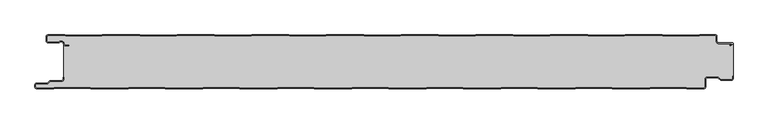
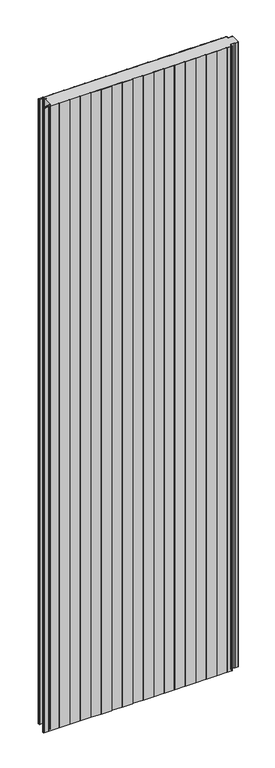
"""IFC4 building model written with IfcOpenShell, lengths in millimetres: plate geometry."""

from ifc_helpers import new_model, si_unit, point, frame_2d, origin, origin_with_axes, place, context, project, spatial, polyline, circle_curve, trimmed, segment, composite_curve, outline, extrude, source, transform, mapped, element, save


def plate_1b93cace(model_context):
    return source(origin(), model_context, "Body", "SweptSolid", [
        extrude(outline(composite_curve([segment(polyline([(-517.0, -77.5), (-517.0, -74.5)]), True, "CONTINUOUS"), segment(trimmed(circle_curve(frame_2d((-514.5, -74.5)), 2.5), [point((-517.0, -74.5))], [point((-514.5, -72.0))], False, "CARTESIAN"), True, "CONTINUOUS"), segment(polyline([(-514.5, -72.0), (-498.5, -72.0), (-494.75, -68.25), (-477.0, -68.25)]), True, "CONTINUOUS"), segment(trimmed(circle_curve(frame_2d((-477.0, -66.25)), 2.0), [point((-477.0, -68.25))], [point((-475.0, -66.25))], True, "CARTESIAN"), True, "CONTINUOUS"), segment(polyline([(-475.0, -66.25), (-475.0, -63.25), (-474.2, -63.25), (-474.2, -66.25)]), True, "CONTINUOUS"), segment(trimmed(circle_curve(frame_2d((-477.0, -66.25)), 2.8), [point((-474.2, -66.25))], [point((-477.0, -69.05))], False, "CARTESIAN"), True, "CONTINUOUS"), segment(polyline([(-477.0, -69.05), (-494.4186292, -69.05), (-498.1686292, -72.8), (-514.5, -72.8)]), True, "CONTINUOUS"), segment(trimmed(circle_curve(frame_2d((-514.5, -74.5)), 1.7), [point((-514.5, -72.8))], [point((-516.2, -74.5))], True, "CARTESIAN"), True, "CONTINUOUS"), segment(polyline([(-516.2, -74.5), (-516.2, -77.5)]), True, "CONTINUOUS"), segment(trimmed(circle_curve(frame_2d((-514.5, -77.5)), 1.7), [point((-516.2, -77.5))], [point((-514.5, -79.2))], True, "CARTESIAN"), True, "CONTINUOUS"), segment(polyline([(-514.5, -79.2), (-489.4444842, -79.2), (-488.4469842, -78.6), (-434.4430158, -78.6), (-433.4455158, -79.2), (-378.3344842, -79.2), (-377.3369842, -78.6), (-323.3330158, -78.6), (-322.3355158, -79.2), (-267.2244842, -79.2), (-266.2269842, -78.6), (-212.2230158, -78.6), (-211.2255158, -79.2), (-156.1144842, -79.2), (-155.1169842, -78.6), (-101.1130158, -78.6), (-100.1155158, -79.2), (-45.0044842, -79.2), (-44.0069842, -78.6), (9.9969842, -78.6), (10.9944842, -79.2), (66.1055158, -79.2), (67.1030158, -78.6), (121.1069842, -78.6), (122.1044842, -79.2), (177.2155158, -79.2), (178.2130158, -78.6), (232.2169842, -78.6), (233.2144842, -79.2), (288.3255158, -79.2), (289.3230158, -78.6), (343.3269842, -78.6), (344.3244842, -79.2), (399.4355158, -79.2), (400.4330158, -78.6), (454.4369842, -78.6), (455.4344842, -79.2), (480.5, -79.2)]), True, "CONTINUOUS"), segment(trimmed(circle_curve(frame_2d((480.5, -77.5)), 1.7), [point((480.5, -79.2))], [point((482.2, -77.5))], True, "CARTESIAN"), True, "CONTINUOUS"), segment(polyline([(482.2, -77.5), (482.2, -66.0)]), True, "CONTINUOUS"), segment(trimmed(circle_curve(frame_2d((485.0, -66.0)), 2.8), [point((482.2, -66.0))], [point((485.0, -63.2))], False, "CARTESIAN"), True, "CONTINUOUS"), segment(polyline([(485.0, -63.2), (501.7886271, -63.2), (505.8492873, -66.95), (521.5, -66.95)]), True, "CONTINUOUS"), segment(trimmed(circle_curve(frame_2d((521.5, -65.25)), 1.7), [point((521.5, -66.95))], [point((523.2, -65.25))], True, "CARTESIAN"), True, "CONTINUOUS"), segment(polyline([(523.2, -65.25), (523.2, -61.75), (524.0, -61.75), (524.0, -65.25)]), True, "CONTINUOUS"), segment(trimmed(circle_curve(frame_2d((521.5, -65.25)), 2.5), [point((524.0, -65.25))], [point((521.5, -67.75))], False, "CARTESIAN"), True, "CONTINUOUS"), segment(polyline([(521.5, -67.75), (505.5363961, -67.75), (501.4757359, -64.0), (485.0, -64.0)]), True, "CONTINUOUS"), segment(trimmed(circle_curve(frame_2d((485.0, -66.0)), 2.0), [point((485.0, -64.0))], [point((483.0, -66.0))], True, "CARTESIAN"), True, "CONTINUOUS"), segment(polyline([(483.0, -66.0), (483.0, -77.5)]), True, "CONTINUOUS"), segment(trimmed(circle_curve(frame_2d((480.5, -77.5)), 2.5), [point((483.0, -77.5))], [point((480.5, -80.0))], False, "CARTESIAN"), True, "CONTINUOUS"), segment(polyline([(480.5, -80.0), (455.2124211, -80.0), (454.2149211, -79.4), (400.6550789, -79.4), (399.6575789, -80.0), (344.1024211, -80.0), (343.1049211, -79.4), (289.5450789, -79.4), (288.5475789, -80.0), (232.9924211, -80.0), (231.9949211, -79.4), (178.4350789, -79.4), (177.4375789, -80.0), (121.8824211, -80.0), (120.8849211, -79.4), (67.3250789, -79.4), (66.3275789, -80.0), (10.7724211, -80.0), (9.7749211, -79.4), (-43.7849211, -79.4), (-44.7824211, -80.0), (-100.3375789, -80.0), (-101.3350789, -79.4), (-154.8949211, -79.4), (-155.8924211, -80.0), (-211.4475789, -80.0), (-212.4450789, -79.4), (-266.0049211, -79.4), (-267.0024211, -80.0), (-322.5575789, -80.0), (-323.5550789, -79.4), (-377.1149211, -79.4), (-378.1124211, -80.0), (-433.6675789, -80.0), (-434.6650789, -79.4), (-488.2249211, -79.4), (-489.2224211, -80.0), (-514.5, -80.0)]), True, "CONTINUOUS"), segment(trimmed(circle_curve(frame_2d((-514.5, -77.5)), 2.5), [point((-514.5, -80.0))], [point((-517.0, -77.5))], False, "CARTESIAN"), True, "CONTINUOUS")], self_intersect=False)), origin_with_axes(), (0.0, 0.0, 1.0), 3500.0),
        extrude(outline(composite_curve([segment(trimmed(circle_curve(frame_2d((-497.49499, -9.0180361)), 2.50501), [point((-497.49499, -11.5230461))], [point((-500.0, -9.0180361))], False, "CARTESIAN"), True, "CONTINUOUS"), segment(polyline([(-500.0, -9.0180361), (-500.0, -2.50501)]), True, "CONTINUOUS"), segment(trimmed(circle_curve(frame_2d((-497.49499, -2.50501)), 2.50501), [point((-500.0, -2.50501))], [point((-497.49499, 0.0))], False, "CARTESIAN"), True, "CONTINUOUS"), segment(polyline([(-497.49499, 0.0), (-472.2103007, 0.0), (-471.028188, -0.6012024), (-417.6391467, -0.6012024), (-416.457034, 0.0), (-360.8776353, 0.0), (-359.6955227, -0.6012024), (-306.3064814, -0.6012024), (-305.1243687, 0.0), (-249.54497, 0.0), (-248.3628573, -0.6012024), (-194.973816, -0.6012024), (-193.7917033, 0.0), (-138.2123047, 0.0), (-137.030192, -0.6012024), (-83.6411507, -0.6012024), (-82.459038, 0.0), (-26.8796393, 0.0), (-25.6975267, -0.6012024), (27.6915146, -0.6012024), (28.8736273, 0.0), (84.453026, 0.0), (85.6351387, -0.6012024), (139.02418, -0.6012024), (140.2062927, 0.0), (195.7856913, 0.0), (196.967804, -0.6012024), (250.3568453, -0.6012024), (251.538958, 0.0), (307.1183566, 0.0), (308.3004693, -0.6012024), (361.6895106, -0.6012024), (362.8716233, 0.0), (418.451022, 0.0), (419.6331347, -0.6012024), (473.022176, -0.6012024), (474.2042886, 0.0), (497.49499, 0.0)]), True, "CONTINUOUS"), segment(trimmed(circle_curve(frame_2d((497.49499, -2.50501)), 2.50501), [point((497.49499, 0.0))], [point((500.0, -2.50501))], False, "CARTESIAN"), True, "CONTINUOUS"), segment(polyline([(500.0, -2.50501), (500.0, -10.0200401)]), True, "CONTINUOUS"), segment(trimmed(circle_curve(frame_2d((502.004008, -10.0200401)), 2.004008), [point((500.0, -10.0200401))], [point((502.004008, -12.0240481))], True, "CARTESIAN"), True, "CONTINUOUS"), segment(polyline([(502.004008, -12.0240481), (522.96027, -12.0240481)]), True, "CONTINUOUS"), segment(trimmed(circle_curve(frame_2d((522.96027, -13.0490481)), 1.025), [point((522.96027, -12.0240481))], [point((523.47277, -13.9367241))], False, "CARTESIAN"), True, "CONTINUOUS"), segment(polyline([(523.47277, -13.9367241), (519.5390782, -16.2078422), (519.1390782, -15.5150218), (522.183956, -13.7570608)]), True, "CONTINUOUS"), segment(trimmed(circle_curve(frame_2d((521.933956, -13.3240481)), 0.5), [point((522.183956, -13.7570608))], [point((521.933956, -12.8240481))], True, "CARTESIAN"), True, "CONTINUOUS"), segment(polyline([(521.933956, -12.8240481), (502.004008, -12.8240481)]), True, "CONTINUOUS"), segment(trimmed(circle_curve(frame_2d((502.004008, -10.0200401)), 2.804008), [point((502.004008, -12.8240481))], [point((499.2, -10.0200401))], False, "CARTESIAN"), True, "CONTINUOUS"), segment(polyline([(499.2, -10.0200401), (499.2, -2.50501)]), True, "CONTINUOUS"), segment(trimmed(circle_curve(frame_2d((497.49499, -2.50501)), 1.70501), [point((499.2, -2.50501))], [point((497.49499, -0.8))], True, "CARTESIAN"), True, "CONTINUOUS"), segment(polyline([(497.49499, -0.8), (474.396035, -0.8), (473.2139223, -1.4012024), (419.4413883, -1.4012024), (418.2592756, -0.8), (363.0633697, -0.8), (361.881257, -1.4012024), (308.108723, -1.4012024), (306.9266103, -0.8), (251.7307044, -0.8), (250.5485917, -1.4012024), (196.7760576, -1.4012024), (195.5939449, -0.8), (140.398039, -0.8), (139.2159263, -1.4012024), (85.4433923, -1.4012024), (84.2612796, -0.8), (29.0653737, -0.8), (27.883261, -1.4012024), (-25.889273, -1.4012024), (-27.0713857, -0.8), (-82.2672916, -0.8), (-83.4494043, -1.4012024), (-137.2219384, -1.4012024), (-138.4040511, -0.8), (-193.599957, -0.8), (-194.7820696, -1.4012024), (-248.5546037, -1.4012024), (-249.7367164, -0.8), (-304.9326223, -0.8), (-306.114735, -1.4012024), (-359.887269, -1.4012024), (-361.0693817, -0.8), (-416.2652876, -0.8), (-417.4474003, -1.4012024), (-471.2199344, -1.4012024), (-472.4020471, -0.8), (-497.49499, -0.8)]), True, "CONTINUOUS"), segment(trimmed(circle_curve(frame_2d((-497.49499, -2.50501)), 1.70501), [point((-497.49499, -0.8))], [point((-499.2, -2.50501))], True, "CARTESIAN"), True, "CONTINUOUS"), segment(polyline([(-499.2, -2.50501), (-499.2, -9.0180361)]), True, "CONTINUOUS"), segment(trimmed(circle_curve(frame_2d((-497.49499, -9.0180361)), 1.70501), [point((-499.2, -9.0180361))], [point((-497.49499, -10.7230461))], True, "CARTESIAN"), True, "CONTINUOUS"), segment(polyline([(-497.49499, -10.7230461), (-481.8173283, -10.7230461)]), True, "CONTINUOUS"), segment(trimmed(circle_curve(frame_2d((-481.8173283, -9.0180361)), 1.70501), [point((-481.8173283, -10.7230461))], [point((-480.6895701, -10.2967936))], True, "CARTESIAN"), True, "CONTINUOUS"), segment(trimmed(circle_curve(frame_2d((-477.8407481, -13.5270541)), 4.307014), [point((-480.6895701, -10.2967936))], [point((-473.7934788, -12.0539686))], False, "CARTESIAN"), True, "CONTINUOUS"), segment(polyline([(-473.7934788, -12.0539686), (-473.0450711, -14.1102019)]), True, "CONTINUOUS"), segment(trimmed(circle_curve(frame_2d((-471.4428858, -13.5270541)), 1.70501), [point((-473.0450711, -14.1102019))], [point((-471.4428858, -15.2320641))], True, "CARTESIAN"), True, "CONTINUOUS"), segment(polyline([(-471.4428858, -15.2320641), (-466.4328657, -15.2320641), (-466.4328657, -16.0320641), (-471.4428858, -16.0320641)]), True, "CONTINUOUS"), segment(trimmed(circle_curve(frame_2d((-471.4428858, -13.5270541)), 2.50501), [point((-471.4428858, -16.0320641))], [point((-473.7968252, -14.383818))], False, "CARTESIAN"), True, "CONTINUOUS"), segment(polyline([(-473.7968252, -14.383818), (-474.5452329, -12.3275847)]), True, "CONTINUOUS"), segment(trimmed(circle_curve(frame_2d((-477.8407481, -13.5270541)), 3.507014), [point((-474.5452329, -12.3275847))], [point((-480.1604199, -10.8967936))], True, "CARTESIAN"), True, "CONTINUOUS"), segment(trimmed(circle_curve(frame_2d((-481.8173283, -9.0180361)), 2.50501), [point((-480.1604199, -10.8967936))], [point((-481.8173283, -11.5230461))], False, "CARTESIAN"), True, "CONTINUOUS"), segment(polyline([(-481.8173283, -11.5230461), (-497.49499, -11.5230461)]), True, "CONTINUOUS")], self_intersect=False)), origin_with_axes(), (0.0, 0.0, 1.0), 3500.0),
        extrude(outline(composite_curve([segment(trimmed(circle_curve(frame_2d((521.5, -65.25)), 1.7), [point((523.2, -65.25))], [point((521.5, -66.95))], False, "CARTESIAN"), True, "CONTINUOUS"), segment(polyline([(521.5, -66.95), (505.8492873, -66.95), (501.7886271, -63.2), (485.0, -63.2)]), True, "CONTINUOUS"), segment(trimmed(circle_curve(frame_2d((485.0, -66.0)), 2.8), [point((485.0, -63.2))], [point((482.2, -66.0))], True, "CARTESIAN"), True, "CONTINUOUS"), segment(polyline([(482.2, -66.0), (482.2, -77.5)]), True, "CONTINUOUS"), segment(trimmed(circle_curve(frame_2d((480.5, -77.5)), 1.7), [point((482.2, -77.5))], [point((480.5, -79.2))], False, "CARTESIAN"), True, "CONTINUOUS"), segment(polyline([(480.5, -79.2), (455.4344842, -79.2), (454.4369842, -78.6), (400.4330158, -78.6), (399.4355158, -79.2), (344.3244842, -79.2), (343.3269842, -78.6), (289.3230158, -78.6), (288.3255158, -79.2), (233.2144842, -79.2), (232.2169842, -78.6), (178.2130158, -78.6), (177.2155158, -79.2), (122.1044842, -79.2), (121.1069842, -78.6), (67.1030158, -78.6), (66.1055158, -79.2), (10.9944842, -79.2), (9.9969842, -78.6), (-44.0069842, -78.6), (-45.0044842, -79.2), (-100.1155158, -79.2), (-101.1130158, -78.6), (-155.1169842, -78.6), (-156.1144842, -79.2), (-211.2255158, -79.2), (-212.2230158, -78.6), (-266.2269842, -78.6), (-267.2244842, -79.2), (-322.3355158, -79.2), (-323.3330158, -78.6), (-377.3369842, -78.6), (-378.3344842, -79.2), (-433.4455158, -79.2), (-434.4430158, -78.6), (-488.4469842, -78.6), (-489.4444842, -79.2), (-514.5, -79.2)]), True, "CONTINUOUS"), segment(trimmed(circle_curve(frame_2d((-514.5, -77.5)), 1.7), [point((-514.5, -79.2))], [point((-516.2, -77.5))], False, "CARTESIAN"), True, "CONTINUOUS"), segment(polyline([(-516.2, -77.5), (-516.2, -74.5)]), True, "CONTINUOUS"), segment(trimmed(circle_curve(frame_2d((-514.5, -74.5)), 1.7), [point((-516.2, -74.5))], [point((-514.5, -72.8))], False, "CARTESIAN"), True, "CONTINUOUS"), segment(polyline([(-514.5, -72.8), (-498.1686292, -72.8), (-494.4186292, -69.05), (-477.0, -69.05)]), True, "CONTINUOUS"), segment(trimmed(circle_curve(frame_2d((-477.0, -66.25)), 2.8), [point((-477.0, -69.05))], [point((-474.2, -66.25))], True, "CARTESIAN"), True, "CONTINUOUS"), segment(polyline([(-474.2, -66.25), (-474.2, -11.2258973)]), True, "CONTINUOUS"), segment(trimmed(circle_curve(frame_2d((-477.8407481, -13.5270541)), 4.307014), [point((-474.2, -11.2258973))], [point((-480.6895701, -10.2967936))], True, "CARTESIAN"), True, "CONTINUOUS"), segment(trimmed(circle_curve(frame_2d((-481.8173283, -9.0180361)), 1.70501), [point((-480.6895701, -10.2967936))], [point((-481.8173283, -10.7230461))], False, "CARTESIAN"), True, "CONTINUOUS"), segment(polyline([(-481.8173283, -10.7230461), (-497.49499, -10.7230461)]), True, "CONTINUOUS"), segment(trimmed(circle_curve(frame_2d((-497.49499, -9.0180361)), 1.70501), [point((-497.49499, -10.7230461))], [point((-499.2, -9.0180361))], False, "CARTESIAN"), True, "CONTINUOUS"), segment(polyline([(-499.2, -9.0180361), (-499.2, -2.50501)]), True, "CONTINUOUS"), segment(trimmed(circle_curve(frame_2d((-497.49499, -2.50501)), 1.70501), [point((-499.2, -2.50501))], [point((-497.49499, -0.8))], False, "CARTESIAN"), True, "CONTINUOUS"), segment(polyline([(-497.49499, -0.8), (-472.4020471, -0.8), (-471.2199344, -1.4012024), (-417.4474003, -1.4012024), (-416.2652876, -0.8), (-361.0693817, -0.8), (-359.887269, -1.4012024), (-306.114735, -1.4012024), (-304.9326223, -0.8), (-249.7367164, -0.8), (-248.5546037, -1.4012024), (-194.7820696, -1.4012024), (-193.599957, -0.8), (-138.4040511, -0.8), (-137.2219384, -1.4012024), (-83.4494043, -1.4012024), (-82.2672916, -0.8), (-27.0713857, -0.8), (-25.889273, -1.4012024), (27.883261, -1.4012024), (29.0653737, -0.8), (84.2612796, -0.8), (85.4433923, -1.4012024), (139.2159263, -1.4012024), (140.398039, -0.8), (195.5939449, -0.8), (196.7760576, -1.4012024), (250.5485917, -1.4012024), (251.7307044, -0.8), (306.9266103, -0.8), (308.108723, -1.4012024), (361.881257, -1.4012024), (363.0633697, -0.8), (418.2592756, -0.8), (419.4413883, -1.4012024), (473.2139223, -1.4012024), (474.396035, -0.8), (497.49499, -0.8)]), True, "CONTINUOUS"), segment(trimmed(circle_curve(frame_2d((497.49499, -2.50501)), 1.70501), [point((497.49499, -0.8))], [point((499.2, -2.50501))], False, "CARTESIAN"), True, "CONTINUOUS"), segment(polyline([(499.2, -2.50501), (499.2, -10.0200401)]), True, "CONTINUOUS"), segment(trimmed(circle_curve(frame_2d((502.004008, -10.0200401)), 2.804008), [point((499.2, -10.0200401))], [point((502.004008, -12.8240481))], True, "CARTESIAN"), True, "CONTINUOUS"), segment(polyline([(502.004008, -12.8240481), (524.0, -12.8240481), (524.0, -61.75), (523.2, -61.75), (523.2, -65.25)]), True, "CONTINUOUS")], self_intersect=False)), origin_with_axes(), (0.0, 0.0, 1.0), 3500.0),
    ])


if __name__ == "__main__":
    model = new_model("IFC4")
    model_context = context("Model", 3, world=origin())
    ifc_project = project(units=[si_unit("LENGTHUNIT", "METRE", prefix="MILLI")], contexts=[model_context])
    site = spatial("IfcSite", under=ifc_project)
    building = spatial("IfcBuilding", under=site)
    placement = place(None, origin())
    plate_shape = plate_1b93cace(model_context)
    element("IfcPlate", 1, at=placement, inside=building, context=model_context, shape_type="MappedRepresentation", body=[
        mapped(plate_shape, transform((0.0, 0.0, 0.0), x_axis=(1.0, 0.0, 0.0), y_axis=(0.0, 1.0, 0.0), z_axis=(0.0, 0.0, 1.0))),
    ])
    save(model, "model.ifc")
